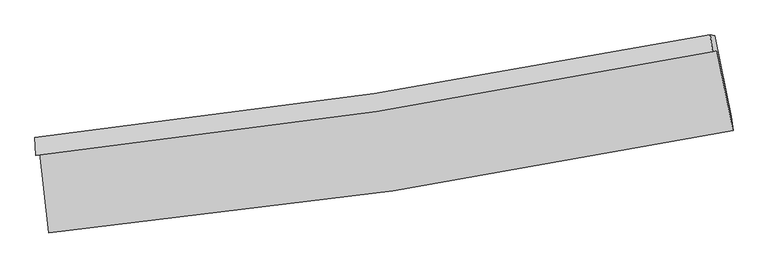
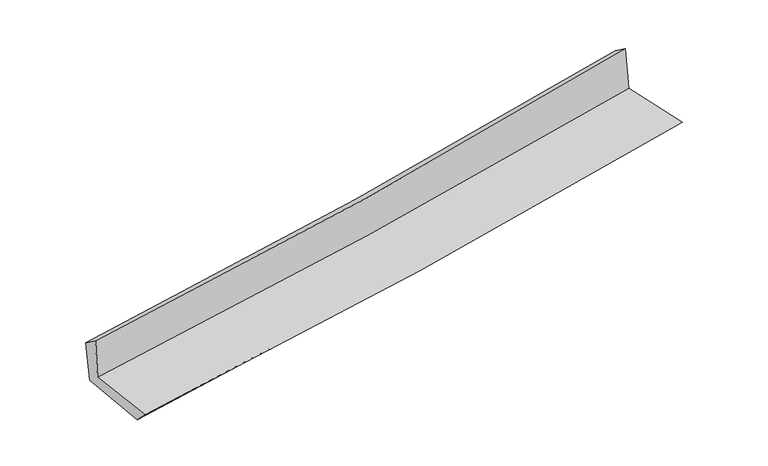
"""IFC4 building model written with IfcOpenShell, lengths in millimetres: proxy geometry."""

import ifcopenshell
import ifcopenshell.guid

model = None  # the IFC model being written
_history = None  # IfcOwnerHistory: only IFC2X3 demands one
_inside = {}  # id of a spatial element -> (the spatial element, [elements in it])
_under = {}  # id of a project, library or spatial element -> (it, [spatial elements below it])
_declared = {}  # id of a project -> (the project, [libraries it declares])
_typed = {}  # id of a type object -> (the type object, [elements of that type])
_made_of = {}  # id of a material, layer set ... -> (it, [elements and type objects made of it])


def new_model(schema):
    """Start an empty IFC model of exactly this schema.

    Asked for "IFC4X3", IfcOpenShell would pick the latest addendum, in which some entities
    have other attributes; the version numbers below select the first issue.
    IFC2X3 requires an IfcOwnerHistory on every rooted entity: one is made here for all.
    """
    global model, _history
    if schema == "IFC4X3":
        model = ifcopenshell.file(schema_version=(4, 3, 0, 0))
    else:
        model = ifcopenshell.file(schema=schema)
    _inside.clear()
    _under.clear()
    _declared.clear()
    _typed.clear()
    _made_of.clear()
    _history = None
    if model.schema == "IFC2X3":
        org = make("IfcOrganization", Name="unknown")
        user = make(
            "IfcPersonAndOrganization",
            ThePerson=make("IfcPerson", FamilyName="unknown"),
            TheOrganization=org,
        )
        app = make(
            "IfcApplication",
            ApplicationDeveloper=org,
            Version="unknown",
            ApplicationFullName="unknown",
            ApplicationIdentifier="unknown",
        )
        _history = make(
            "IfcOwnerHistory",
            OwningUser=user,
            OwningApplication=app,
            ChangeAction="ADDED",
            CreationDate=0,
        )
    return model


def make(cls, **values):
    """One entity of the class cls with the attributes given. An attribute that is None is left unset."""
    return model.create_entity(
        cls, **{name: value for name, value in values.items() if value is not None}
    )


def rooted(cls, **values):
    """An entity with a GlobalId (a new one), such as an element, a storey or a relation."""
    return make(cls, GlobalId=ifcopenshell.guid.new(), OwnerHistory=_history, **values)


def si_unit(unit_type, name, prefix=None):
    """IfcSIUnit, for example si_unit("LENGTHUNIT", "METRE", prefix="MILLI")."""
    return make("IfcSIUnit", UnitType=unit_type, Prefix=prefix, Name=name)


def assignment(units):
    """IfcUnitAssignment: the units of a project."""
    return None if units is None else make("IfcUnitAssignment", Units=units)


def point(xyz):
    """IfcCartesianPoint."""
    return None if xyz is None else make("IfcCartesianPoint", Coordinates=xyz)


def direction(xyz):
    """IfcDirection."""
    return None if xyz is None else make("IfcDirection", DirectionRatios=xyz)


def frame(location, z_axis=None, x_axis=None):
    """IfcAxis2Placement3D, a coordinate frame: its origin and axes. An axis left out is left unset."""
    return make(
        "IfcAxis2Placement3D",
        Location=point(location),
        Axis=direction(z_axis),
        RefDirection=direction(x_axis),
    )


def origin():
    """The frame at (0, 0, 0) with its axes left unset."""
    return frame((0.0, 0.0, 0.0))


def place(relative_to, where):
    """IfcLocalPlacement: puts the frame where relative to a parent placement (None: the world)."""
    return make(
        "IfcLocalPlacement", PlacementRelTo=relative_to, RelativePlacement=where
    )


def context(
    kind, dimensions, precision=None, world=None, true_north=None, identifier=None
):
    """IfcGeometricRepresentationContext, for example the 3D "Model" context."""
    return make(
        "IfcGeometricRepresentationContext",
        ContextIdentifier=identifier,
        ContextType=kind,
        CoordinateSpaceDimension=dimensions,
        Precision=precision,
        WorldCoordinateSystem=world,
        TrueNorth=true_north,
    )


def project(units=None, contexts=None):
    """IfcProject with its units and contexts."""
    return rooted(
        "IfcProject",
        Name="project",
        RepresentationContexts=contexts,
        UnitsInContext=assignment(units),
    )


def spatial(cls, under=None, at=None, **own):
    """A site, building, storey or space (cls), placed at a placement, below another one or the project."""
    s = rooted(cls, ObjectPlacement=at, **own)
    if under is not None:
        _under.setdefault(under.id(), (under, []))[1].append(s)
    return s


def shape(context_of_items, identifier, shape_type, items):
    """IfcShapeRepresentation: the items that make up one representation, for example the "Body"."""
    return make(
        "IfcShapeRepresentation",
        ContextOfItems=context_of_items,
        RepresentationIdentifier=identifier,
        RepresentationType=shape_type,
        Items=items,
    )


def source(mapping_origin, context_of_items, identifier, shape_type, items):
    """IfcRepresentationMap: a shape defined once, which mapped items show again and again."""
    return make(
        "IfcRepresentationMap",
        MappingOrigin=mapping_origin,
        MappedRepresentation=shape(context_of_items, identifier, shape_type, items),
    )


def transform(
    local_origin,
    x_axis=None,
    y_axis=None,
    z_axis=None,
    scale=None,
    scale2=None,
    scale3=None,
    uniform=True,
):
    """IfcCartesianTransformationOperator3D, or its non-uniform kind. x_axis, y_axis, z_axis: its Axis1, 2, 3."""
    if uniform:
        return make(
            "IfcCartesianTransformationOperator3D",
            Axis1=direction(x_axis),
            Axis2=direction(y_axis),
            LocalOrigin=point(local_origin),
            Scale=scale,
            Axis3=direction(z_axis),
        )
    return make(
        "IfcCartesianTransformationOperator3DnonUniform",
        Axis1=direction(x_axis),
        Axis2=direction(y_axis),
        LocalOrigin=point(local_origin),
        Scale=scale,
        Axis3=direction(z_axis),
        Scale2=scale2,
        Scale3=scale3,
    )


def mapped(mapping_source, mapping_target):
    """IfcMappedItem: shows the shape of a source again, moved by a transform."""
    return make(
        "IfcMappedItem", MappingSource=mapping_source, MappingTarget=mapping_target
    )


def made_of(thing, what):
    """Note that an element or type object is made of a material, layer set ...; save() writes the relation."""
    if what is not None:
        _made_of.setdefault(what.id(), (what, []))[1].append(thing)
    return thing


def element(
    cls,
    number,
    at=None,
    inside=None,
    cuts=None,
    type_object=None,
    material=None,
    context=None,
    identifier="Body",
    shape_type=None,
    held_by="IfcProductDefinitionShape",
    body=None,
    shapes=None,
    **own,
):
    """One element of the class cls, such as IfcWall. Its Tag is "e" and its number.

    at: its placement. inside: the storey or other place that contains it. cuts: it is an
    opening in that element (IfcRelVoidsElement). A single representation is given by context,
    identifier, shape_type and body (its items); several are given by shapes. held_by: the class
    of the entity that holds the representations. save() writes the other relations.
    """
    e = rooted(cls, Tag="e%d" % number, ObjectPlacement=at, **own)
    if body is not None:
        shapes = [shape(context, identifier, shape_type, body)]
    if shapes is not None:
        e.Representation = make(held_by, Representations=shapes)
    if inside is not None:
        _inside.setdefault(inside.id(), (inside, []))[1].append(e)
    if cuts is not None:
        rooted(
            "IfcRelVoidsElement", RelatingBuildingElement=cuts, RelatedOpeningElement=e
        )
    if type_object is not None:
        _typed.setdefault(type_object.id(), (type_object, []))[1].append(e)
    return made_of(e, material)


def aggregate(whole, parts):
    """IfcRelAggregates: a whole, such as a stair, and the parts it consists of."""
    return rooted("IfcRelAggregates", RelatingObject=whole, RelatedObjects=parts)


def save(model, path):
    """Write the relations noted so far, then the file.

    IfcRelAggregates (storeys below a building ...), IfcRelContainedInSpatialStructure (elements
    in a storey), IfcRelDefinesByType, IfcRelAssociatesMaterial and IfcRelDeclares: one each for
    every whole, place, type object, material and project.
    """
    for whole, parts in _under.values():
        aggregate(whole, parts)
    for where, things in _inside.values():
        rooted(
            "IfcRelContainedInSpatialStructure",
            RelatedElements=things,
            RelatingStructure=where,
        )
    for kind, things in _typed.values():
        rooted("IfcRelDefinesByType", RelatedObjects=things, RelatingType=kind)
    for what, things in _made_of.values():
        rooted("IfcRelAssociatesMaterial", RelatedObjects=things, RelatingMaterial=what)
    for by, libraries in _declared.values():
        rooted("IfcRelDeclares", RelatingContext=by, RelatedDefinitions=libraries)
    model.write(path)


def plane_surface(at):
    """IfcPlane: the flat surface through the origin of the frame at, square to its z axis."""
    return make("IfcPlane", Position=at)


def spline_curve(degree, points, multiplicities, knots, weights=None):
    """IfcBSplineCurveWithKnots; with weights, IfcRationalBSplineCurveWithKnots."""
    own = dict(
        Degree=degree,
        ControlPointsList=[point(p) for p in points],
        CurveForm="UNSPECIFIED",
        ClosedCurve=False,
        SelfIntersect=False,
        KnotMultiplicities=multiplicities,
        Knots=knots,
        KnotSpec="UNSPECIFIED",
    )
    if weights is None:
        return make("IfcBSplineCurveWithKnots", **own)
    return make("IfcRationalBSplineCurveWithKnots", WeightsData=weights, **own)


def spline_surface(u_degree, v_degree, points, u_multiplicities, v_multiplicities, u_knots, v_knots, weights=None):
    """IfcBSplineSurfaceWithKnots; with weights, IfcRationalBSplineSurfaceWithKnots. points: one row for each step in u."""
    own = dict(
        UDegree=u_degree,
        VDegree=v_degree,
        ControlPointsList=[[point(p) for p in row] for row in points],
        SurfaceForm="UNSPECIFIED",
        UClosed=False,
        VClosed=False,
        SelfIntersect=False,
        UMultiplicities=u_multiplicities,
        VMultiplicities=v_multiplicities,
        UKnots=u_knots,
        VKnots=v_knots,
        KnotSpec="UNSPECIFIED",
    )
    if weights is None:
        return make("IfcBSplineSurfaceWithKnots", **own)
    return make("IfcRationalBSplineSurfaceWithKnots", WeightsData=weights, **own)


def advanced_brep(points, edges, surfaces, faces):
    """IfcAdvancedBrep: a solid bounded by faces that lie on surfaces and meet in shared edges.

    An edge is (start, end): straight between two places in points (the first is 0);
    or (start, end, curve); or (start, end, curve, False) where it runs against its curve.
    A face is (place in surfaces, loops), or (place, loops, False) where it looks against
    its surface's normal. A loop lists edges by number (the first is 1), with a minus sign
    where the edge is run from its end to its start. The first loop is the outer one.
    """
    corners = [point(p) for p in points]
    vertices = [make("IfcVertexPoint", VertexGeometry=c) for c in corners]
    made = []
    for start, end, *more in edges:
        made.append(
            make(
                "IfcEdgeCurve",
                EdgeStart=vertices[start],
                EdgeEnd=vertices[end],
                EdgeGeometry=more[0] if more else make("IfcPolyline", Points=[corners[start], corners[end]]),
                SameSense=more[1] if len(more) > 1 else True,
            )
        )
    hull = []
    for where, loops, *sense in faces:
        bounds = []
        for j, loop in enumerate(loops):
            ring = [make("IfcOrientedEdge", EdgeElement=made[abs(k) - 1], Orientation=k > 0) for k in loop]
            bounds.append(
                make(
                    "IfcFaceOuterBound" if j == 0 else "IfcFaceBound",
                    Bound=make("IfcEdgeLoop", EdgeList=ring),
                    Orientation=True,
                )
            )
        hull.append(make("IfcAdvancedFace", Bounds=bounds, FaceSurface=surfaces[where], SameSense=sense[0] if sense else True))
    return make("IfcAdvancedBrep", Outer=make("IfcClosedShell", CfsFaces=hull))


def generic_models_f1170469(model_context):
    return source(origin(), model_context, "Body", "AdvancedBrep", [
        advanced_brep(
        [(-2821.8656007, -1890.8397712, 1644.5520102), (-2746.5252308, -2551.6781304, 1637.3458371), (2894.5738964, -1705.9705263, 2120.3692096), (2761.4560982, -1048.2728033, 2108.9273707), (-2853.8003565, -1911.9693857, 2042.0879465), (2725.4212784, -1054.8231501, 2526.5001419), (-2861.1455419, -1763.3301325, 1932.5133163), (2705.9781916, -917.3888424, 2430.5448737), (-2826.514209, -1771.6260226, 1542.2790877), (2742.8381862, -924.6646473, 2035.2610913), (-2749.8234875, -2429.3965193, 1515.4158034), (2881.0611739, -1592.5222166, 2012.8126438)],
        [
            (0, 1),
            (1, 2, spline_curve(3, [(-2746.5252308, -2551.6781304, 1637.3458371), (-1797.97376813, -2461.502319134, 1728.728958164), (-852.612317821, -2345.734351469, 1814.74677002), (1027.727005119, -2063.614781938, 1975.709060451), (1962.731930313, -1897.480215101, 2050.699039176), (2894.5738964, -1705.9705263, 2120.3692096)], [4, 2, 4], [0.0, 9.365667653533247, 18.691537932465177])),
            (2, 3),
            (3, 0, spline_curve(3, [(2761.4560982, -1048.2728033, 2108.9273707), (1838.685520842, -1229.922513066, 2038.169489519), (913.020251454, -1390.855987347, 1964.181887828), (-948.062222942, -1671.88883024, 1809.417725082), (-1883.504186735, -1791.81101201, 1728.613539932), (-2821.8656007, -1890.8397712, 1644.5520102)], [4, 2, 4], [0.0, 9.32587027893193, 18.691537932465177])),
            (4, 0),
            (3, 5),
            (5, 4, spline_curve(3, [(2725.4212784, -1054.8231501, 2526.5001419), (1804.909404942, -1243.662255729, 2445.620153353), (880.71611085, -1409.407852493, 2364.898088721), (-978.992946506, -1695.32078421, 2203.426005918), (-1914.540197688, -1815.290599417, 2122.677338882), (-2853.8003565, -1911.9693857, 2042.0879465)], [4, 2, 4], [0.0, 9.277072678175408, 18.59373449125558])),
            (6, 4),
            (5, 7),
            (7, 6, spline_curve(3, [(2705.9781916, -917.3888424, 2430.5448737), (1786.374023631, -1100.318339078, 2352.373827538), (863.639418753, -1262.173066696, 2271.878998877), (-992.041717498, -1544.33375045, 2105.888355399), (-1925.015023723, -1664.459452708, 2020.372664833), (-2861.1455419, -1763.3301325, 1932.5133163)], [4, 2, 4], [0.0, 9.26682811933592, 18.573201655775094])),
            (8, 6),
            (7, 9),
            (9, 8, spline_curve(3, [(2742.8381862, -924.6646473, 2035.2610913), (1822.957758358, -1107.535824826, 1956.364215544), (899.899797639, -1269.445976294, 1875.924705619), (-956.523823258, -1551.945715357, 1711.610565209), (-1889.916660859, -1672.356022257, 1627.722740714), (-2826.514209, -1771.6260226, 1542.2790877)], [4, 2, 4], [0.0, 9.257956013334987, 18.55541958279989])),
            (10, 8),
            (9, 11),
            (11, 10, spline_curve(3, [(2881.0611739, -1592.5222166, 2012.8126438), (1948.704171627, -1764.529622033, 1933.469633962), (1014.288764483, -1920.15930826, 1852.440243867), (-862.65518367, -2199.257488711, 1686.655720673), (-1805.20133043, -2322.585903281, 1601.886164099), (-2749.8234875, -2429.3965193, 1515.4158034)], [4, 2, 4], [0.0, 9.307590184138515, 18.65489973409649])),
            (1, 10),
            (11, 2),
        ],
        [
            spline_surface(3, 3, [[(-2821.8656007, -1890.8397712, 1644.5520102), (-1883.504186727, -1791.811011908, 1728.613539859), (-948.062223024, -1671.888830226, 1809.417725005), (913.020251536, -1390.855987361, 1964.181887904), (1838.685520757, -1229.922513114, 2038.169489574), (2761.4560982, -1048.2728033, 2108.9273707)], [(-2796.752144038, -2111.119224242, 1642.149952487), (-1854.994047181, -2015.041447611, 1728.652012629), (-916.245587931, -1896.504003909, 1811.194073368), (951.255836043, -1615.108918921, 1968.024278728), (1880.034323966, -1452.441747122, 2042.346006138), (2805.828697607, -1267.50537763, 2112.741316985)], [(-2771.638687462, -2331.398677358, 1639.747894813), (-1826.483907721, -2238.271883388, 1728.690485437), (-884.428952845, -2121.119177638, 1812.970421732), (989.491420543, -1839.361850525, 1971.866669553), (1921.383127153, -1674.960981139, 2046.522522746), (2850.201296993, -1486.73795197, 2116.555263315)], [(-2746.5252308, -2551.6781304, 1637.3458371), (-1797.973768175, -2461.502319091, 1728.728958207), (-852.612317752, -2345.734351322, 1814.746770095), (1027.72700505, -2063.614782085, 1975.709060376), (1962.731930361, -1897.480215147, 2050.699039309), (2894.5738964, -1705.9705263, 2120.3692096)]], [4, 4], [4, 2, 4], [0.0, 2.2358929318515757], [0.0, 9.365667653533247, 18.691537932465177]),
            spline_surface(3, 3, [[(-2853.8003565, -1911.9693857, 2042.0879465), (-1914.540197548, -1815.290599314, 2122.67733901), (-978.992946629, -1695.320784182, 2203.426006058), (880.716110973, -1409.407852521, 2364.898088581), (1804.909405042, -1243.662255769, 2445.620153346), (2725.4212784, -1054.8231501, 2526.5001419)], [(-2843.155437926, -1904.926180891, 1909.575967741), (-1904.194860633, -1807.464070203, 1991.322739301), (-968.682705445, -1687.510132862, 2072.089912383), (891.484157809, -1403.223897467, 2231.326021698), (1816.168110287, -1239.082341547, 2309.803265445), (2737.432885006, -1052.639701163, 2387.309218189)], [(-2832.510519274, -1897.882976009, 1777.063988959), (-1893.849523642, -1799.63754102, 1859.968139568), (-958.372464208, -1679.699481545, 1940.753818681), (902.252204699, -1397.039942415, 2097.753954788), (1827.426815512, -1234.502427335, 2173.986377476), (2749.444491594, -1050.456252237, 2248.118294411)], [(-2821.8656007, -1890.8397712, 1644.5520102), (-1883.504186727, -1791.811011908, 1728.613539859), (-948.062223024, -1671.888830226, 1809.417725005), (913.020251536, -1390.855987361, 1964.181887904), (1838.685520757, -1229.922513114, 2038.169489574), (2761.4560982, -1048.2728033, 2108.9273707)]], [4, 4], [4, 2, 4], [0.0, 1.3095689742940115], [0.0, 9.316661813080174, 18.59373449125558]),
            spline_surface(3, 3, [[(-2861.1455419, -1763.3301325, 1932.5133163), (-1925.01502379, -1664.459452717, 2020.372664747), (-992.041717568, -1544.333750303, 2105.888355274), (863.639418822, -1262.173066842, 2271.878999002), (1786.374023785, -1100.31833921, 2352.373827591), (2705.9781916, -917.3888424, 2430.5448737)], [(-2858.697146766, -1812.876550218, 1969.038193038), (-1921.523415042, -1714.736501567, 2054.47422284), (-987.692127236, -1594.662761607, 2138.400905546), (869.331649558, -1311.251328746, 2302.885362205), (1792.552484203, -1148.099644717, 2383.455936165), (2712.459220532, -963.200278287, 2462.529963089)], [(-2856.248751634, -1862.422967982, 2005.563069762), (-1918.031806296, -1765.013550464, 2088.575780918), (-983.342536961, -1644.991772878, 2170.913455786), (875.023880237, -1360.329590617, 2333.891725378), (1798.730944624, -1195.880950262, 2414.538044772), (2718.940249468, -1009.011714213, 2494.515052511)], [(-2853.8003565, -1911.9693857, 2042.0879465), (-1914.540197548, -1815.290599314, 2122.67733901), (-978.992946629, -1695.320784182, 2203.426006058), (880.716110973, -1409.407852521, 2364.898088581), (1804.909405042, -1243.662255769, 2445.620153346), (2725.4212784, -1054.8231501, 2526.5001419)]], [4, 4], [4, 2, 4], [0.0, 0.5826874443180056], [0.0, 9.306373536439175, 18.573201655775094]),
            spline_surface(3, 3, [[(-2826.514209, -1771.6260226, 1542.2790877), (-1889.91666076, -1672.356022342, 1627.722740674), (-956.523823218, -1551.945715341, 1711.610565255), (899.8997976, -1269.44597631, 1875.924705574), (1822.95775846, -1107.535824903, 1956.364215518), (2742.8381862, -924.6646473, 2035.2610913)], [(-2838.057986628, -1768.860725905, 1672.357163892), (-1901.616115097, -1669.723832472, 1758.606048691), (-968.363121352, -1549.408393673, 1843.036495264), (887.813004656, -1267.021673165, 2007.909470053), (1810.763180233, -1105.129996363, 2088.36741954), (2730.551521331, -922.239379024, 2167.022352098)], [(-2849.601764272, -1766.095429195, 1802.435240108), (-1913.315569452, -1667.091642587, 1889.489356731), (-980.202419434, -1546.871071972, 1974.462425265), (875.726211765, -1264.597369988, 2139.894234523), (1798.568602012, -1102.724167751, 2220.370623569), (2718.264856469, -919.814110676, 2298.783612902)], [(-2861.1455419, -1763.3301325, 1932.5133163), (-1925.01502379, -1664.459452717, 2020.372664747), (-992.041717568, -1544.333750303, 2105.888355274), (863.639418822, -1262.173066842, 2271.878999002), (1786.374023785, -1100.31833921, 2352.373827591), (2705.9781916, -917.3888424, 2430.5448737)]], [4, 4], [4, 2, 4], [0.0, 1.3018659380717474], [0.0, 9.297463569464902, 18.55541958279989]),
            spline_surface(3, 3, [[(-2749.8234875, -2429.3965193, 1515.4158034), (-1805.201330325, -2322.58590325, 1601.886163977), (-862.65518369, -2199.257488624, 1686.655720719), (1014.288764502, -1920.159308346, 1852.440243822), (1948.704171626, -1764.529622113, 1933.469633906), (2881.0611739, -1592.5222166, 2012.8126438)], [(-2775.387061316, -2210.139687062, 1524.370231481), (-1833.439773786, -2105.84260961, 1610.498356191), (-893.944730186, -1983.486897513, 1694.974002209), (976.159108882, -1703.254864317, 1860.268397717), (1906.788700566, -1545.531689714, 1941.101161108), (2834.986844662, -1369.903026837, 2020.295459632)], [(-2800.950635184, -1990.882854838, 1533.324659619), (-1861.678217299, -1889.099315983, 1619.11054846), (-925.234276722, -1767.716306452, 1703.292283765), (938.02945322, -1486.350420339, 1868.096551678), (1864.87322952, -1326.533757303, 1948.732688316), (2788.912515438, -1147.283837063, 2027.778275468)], [(-2826.514209, -1771.6260226, 1542.2790877), (-1889.91666076, -1672.356022342, 1627.722740674), (-956.523823218, -1551.945715341, 1711.610565255), (899.8997976, -1269.44597631, 1875.924705574), (1822.95775846, -1107.535824903, 1956.364215518), (2742.8381862, -924.6646473, 2035.2610913)]], [4, 4], [4, 2, 4], [0.0, 2.157955902086854], [0.0, 9.347309549957973, 18.65489973409649]),
            spline_surface(3, 3, [[(-2746.5252308, -2551.6781304, 1637.3458371), (-1797.973768175, -2461.502319091, 1728.728958207), (-852.612317752, -2345.734351322, 1814.746770095), (1027.72700505, -2063.614782085, 1975.709060376), (1962.731930361, -1897.480215147, 2050.699039309), (2894.5738964, -1705.9705263, 2120.3692096)], [(-2747.624649727, -2510.917593382, 1596.70249256), (-1800.382955585, -2415.196847159, 1686.448026823), (-855.959939731, -2296.908730434, 1772.049753636), (1023.247591534, -2015.79629085, 1934.619454858), (1958.056010777, -1853.163350794, 2011.622570849), (2890.069655561, -1668.154423059, 2084.517021007)], [(-2748.724068573, -2470.157056318, 1556.05914794), (-1802.792142915, -2368.891375181, 1644.167095361), (-859.307561711, -2248.083109512, 1729.352737178), (1018.768178018, -1967.977799581, 1893.52984934), (1953.38009121, -1808.846486466, 1972.546102367), (2885.565414739, -1630.338319841, 2048.664832393)], [(-2749.8234875, -2429.3965193, 1515.4158034), (-1805.201330325, -2322.58590325, 1601.886163977), (-862.65518369, -2199.257488624, 1686.655720719), (1014.288764502, -1920.159308346, 1852.440243822), (1948.704171626, -1764.529622113, 1933.469633906), (2881.0611739, -1592.5222166, 2012.8126438)]], [4, 4], [4, 2, 4], [0.0, 0.6306786783815405], [0.0, 9.405138917173414, 18.77031273516642]),
            plane_surface(frame((2785.2214708, -1207.2736977, 2205.7358885), z_axis=(0.9760824293723773, 0.1990784503119539, 0.08735480348503499), x_axis=(-0.09283106109223188, 0.01832394957627693, 0.9955132480125096))),
            plane_surface(frame((-2809.9457377, -2053.1399936, 1719.0323335), z_axis=(-0.990031710475608, -0.11193866967879286, -0.08548067900574914), x_axis=(-0.11326684308143839, 0.9935055367819521, 0.01083377321019789))),
        ],
        [
            (0, [[1, 2, 3, 4]]),
            (1, [[5, -4, 6, 7]]),
            (2, [[8, -7, 9, 10]]),
            (3, [[11, -10, 12, 13]]),
            (4, [[14, -13, 15, 16]]),
            (5, [[17, -16, 18, -2]]),
            (6, [[-12, -9, -6, -3, -18, -15]]),
            (7, [[-1, -5, -8, -11, -14, -17]]),
        ],
    ),
    ])


if __name__ == "__main__":
    model = new_model("IFC4")
    model_context = context("Model", 3, world=origin())
    ifc_project = project(units=[si_unit("LENGTHUNIT", "METRE", prefix="MILLI")], contexts=[model_context])
    site = spatial("IfcSite", under=ifc_project)
    building = spatial("IfcBuilding", under=site)
    placement = place(None, origin())
    generic_models_shape = generic_models_f1170469(model_context)
    element("IfcBuildingElementProxy", 1, Name="Generic Models", at=placement, inside=building, context=model_context, shape_type="MappedRepresentation", body=[
        mapped(generic_models_shape, transform((0.0, 0.0, 0.0), x_axis=(1.0, 0.0, 0.0), y_axis=(0.0, 1.0, 0.0), z_axis=(0.0, 0.0, 1.0))),
    ])
    save(model, "model.ifc")
